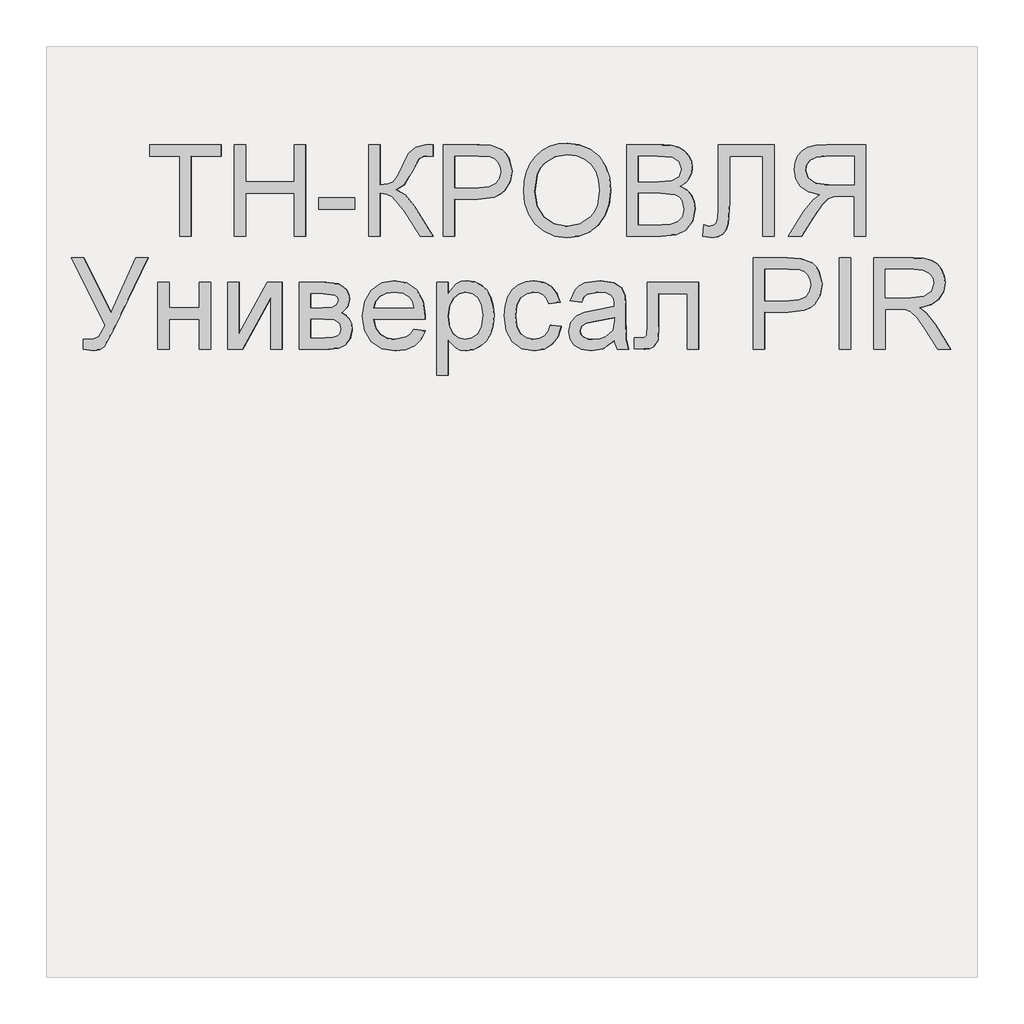
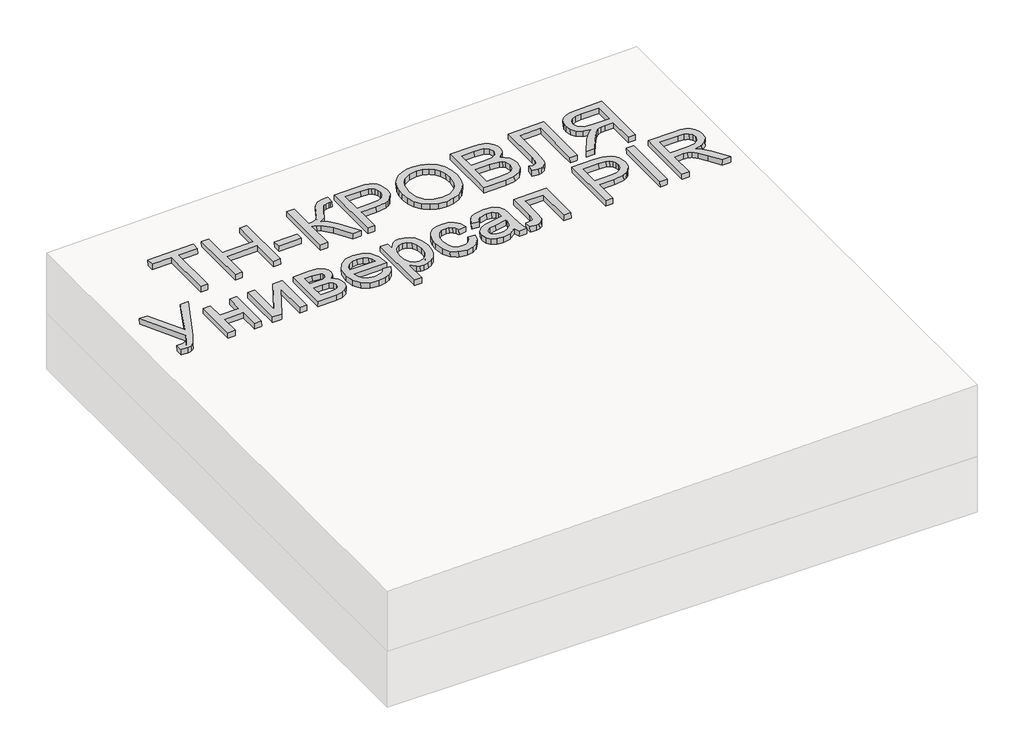
# One storey, part 3 of 3: 1 proxy.
"""IFC4 building model written with IfcOpenShell, lengths in millimetres."""

from ifc_helpers import new_model, si_unit, frame, origin, place, context, project, spatial, polyline, outline, extrude, element, save

model = new_model("IFC4")

# Units and contexts
model_context = context("Model", 3, world=origin())
ifc_project = project(units=[si_unit("LENGTHUNIT", "METRE", prefix="MILLI")], contexts=[model_context])

# Site, building, storey
site = spatial("IfcSite", under=ifc_project)
building = spatial("IfcBuilding", under=site)
storey = spatial("IfcBuildingStorey", under=building, Elevation=0.0)

# Proxy
placement = place(None, origin())
element("IfcBuildingElementProxy", 1, Name="Generic Models", at=placement, inside=storey, context=model_context, shape_type="SweptSolid", body=[
    extrude(outline(polyline([(24.6153847, 0.0), (24.6153847, -172.3076923), (89.2307693, -172.3076923), (89.2307693, -196.9230769), (-64.6153846, -196.9230769), (-64.6153846, -172.3076923), (0.0, -172.3076923), (0.0, 0.0), (24.6153847, 0.0)])), frame((52017.8976778, -4710.2316754, 222.2300417), z_axis=(-0.01999600119956399, 0.0, 0.9998000599800078), x_axis=(-0.9998000599800078, 0.0, -0.01999600119956399)), (0.0, 0.0, 1.0), 20.0),
    extrude(outline(polyline([(24.6153846, 0.0), (24.6153846, -196.9230769), (0.0, -196.9230769), (0.0, -116.9230769), (-104.6153846, -116.9230769), (-104.6153846, -196.9230769), (-129.2307692, -196.9230769), (-129.2307692, 0.0), (-104.6153846, 0.0), (-104.6153846, -92.3076923), (0.0, -92.3076923), (0.0, 0.0), (24.6153846, 0.0)])), frame((52134.7973771, -4710.2316754, 224.5680356), z_axis=(-0.019996001199563986, 0.0, 0.9998000599800078), x_axis=(-0.9998000599800078, 0.0, -0.019996001199563986)), (0.0, 0.0, 1.0), 20.0),
    extrude(outline(polyline([(76.9230769, 0.0), (76.9230769, -24.6153846), (0.0, -24.6153846), (0.0, 0.0), (76.9230769, 0.0)])), frame((52368.5967757, -4651.7701369, 229.2440236), z_axis=(-0.01999600119956399, 0.0, 0.9998000599800079), x_axis=(-0.9998000599800079, 0.0, -0.01999600119956399)), (0.0, 0.0, 1.0), 20.0),
    extrude(outline(polyline([(196.9230769, 0.0), (196.9230769, -24.6153846), (110.7692308, -24.6153846), (112.3978365, -41.280048), (117.2836538, -52.1394231), (128.7800481, -60.9194711), (150.2403846, -71.3461539), (177.7644231, -84.9278846), (191.3942308, -100.3125), (196.9230769, -122.3076923), (196.6346154, -138.4615384), (172.0192308, -138.4615384), (172.1634615, -133.0288462), (172.3076923, -127.5961539), (170.8293269, -116.3221153), (166.3942308, -108.3653846), (141.0576923, -93.75), (110.1923077, -76.3221153), (100.0, -59.326923), (88.8701923, -78.3293269), (65.6730769, -97.0673076), (0.0, -138.4615384), (0.0, -109.9038462), (55.4807692, -74.9038462), (84.4471154, -50.2644231), (90.3425481, -38.8882211), (92.3076923, -24.6153846), (0.0, -24.6153846), (0.0, 0.0), (196.9230769, 0.0)])), frame((52399.3598545, -4710.2316754, 229.8592852), z_axis=(-0.019996001199563986, 0.0, 0.9998000599800078), x_axis=(0.0, 1.0, 0.0)), (0.0, 0.0, 1.0), 20.0),
    extrude(outline(polyline([(24.6153846, 0.0), (24.6153846, -196.9230769), (-48.3653846, -196.9230769), (-77.7884615, -195.0480769), (-101.7067307, -185.8413461), (-110.4026442, -177.6802885), (-117.2115385, -166.8028846), (-123.0769231, -139.9519231), (-119.1165866, -116.7427885), (-107.2355769, -97.4038461), (-97.7208534, -89.7896635), (-85.0180288, -84.3509615), (-50.0480769, -80.0), (0.0, -80.0), (0.0, 0.0), (24.6153846, 0.0)]), holes=[polyline([(0.0, -104.6153846), (-51.4903846, -104.6153846), (-73.3173077, -106.875), (-87.7403846, -113.6538461), (-95.78125, -124.53125), (-98.4615385, -139.0865385), (-96.8810096, -150.1442308), (-92.1394231, -159.4711538), (-84.8257212, -166.4903846), (-75.5288461, -170.625), (-50.9134615, -172.3076923), (0.0, -172.3076923), (0.0, -104.6153846)])]), frame((52583.9383271, -4710.2316754, 233.5508546), z_axis=(-0.01999600119956399, 0.0, 0.9998000599800078), x_axis=(-0.9998000599800078, 0.0, -0.01999600119956399)), (0.0, 0.0, 1.0), 20.0),
    extrude(outline(polyline([(25.3428445, 0.0), (48.1160484, -4.1938573), (67.8912361, -11.3545773), (84.6684074, -21.48216), (98.4475626, -34.5766053), (108.9049086, -49.9093781), (115.7166524, -66.7519434), (118.8827941, -85.104301), (118.4033337, -104.9664512), (112.3116986, -130.2760814), (100.0658902, -152.2136343), (82.4868293, -169.6009171), (60.3954366, -181.2597367), (34.812491, -187.0380147), (6.7587717, -186.7836729), (-21.0136463, -180.6528553), (-44.9882084, -168.8870737), (-63.9421568, -152.1247694), (-76.6527338, -131.0043835), (-83.1347827, -107.1750808), (-83.4031474, -82.286026), (-77.165962, -56.5935492), (-64.6008839, -34.5586151), (-46.7404789, -17.2511252), (-24.6173127, -5.740981), (0.0, 0.0), (25.3428445, 0.0)]), holes=[polyline([(22.3721769, -24.4366544), (-8.7890431, -25.9094147), (-33.7562618, -37.9787802), (-50.9832576, -58.3865326), (-58.9238091, -84.8744541), (-57.0179297, -112.8610054), (-44.5775814, -136.6179285), (-34.5460353, -146.3414541), (-22.1589797, -153.8699216), (9.6816594, -162.341683), (31.570013, -162.6815636), (50.9840871, -158.5364567), (67.4340475, -150.0149317), (80.43006, -137.2255581), (89.4380632, -121.0520253), (93.9239955, -102.3780231), (92.2935561, -75.5530127), (81.0850249, -51.6494364), (71.4163804, -41.5325654), (58.4080243, -33.6248113), (22.3721769, -24.4366544)])]), frame((52734.4130429, -4639.5525889, 236.560349), z_axis=(-0.01999600119956399, 0.0, 0.9998000599800078), x_axis=(-0.11095588221419858, 0.9938228553011597, -0.00221911764427994)), (0.0, 0.0, 1.0), 20.0),
    extrude(outline(polyline([(74.5673077, 0.0), (74.5673077, -196.9230769), (-0.5769232, -196.9230769), (-21.2439904, -195.4747596), (-37.3798077, -191.1298077), (-49.7475961, -183.7800481), (-59.110577, -173.3173077), (-65.0060096, -161.0096154), (-66.9711539, -148.125), (-65.3185097, -136.2680288), (-60.360577, -125.1201923), (-52.0612981, -115.3665865), (-40.3846154, -107.6923077), (-54.3329327, -100.4086538), (-64.6394231, -89.3269231), (-71.0036058, -75.1802885), (-73.125, -58.7019231), (-67.3317308, -32.2355769), (-52.9807693, -13.3894231), (-31.5625, -3.3894231), (0.0, 0.0), (74.5673077, 0.0)]), holes=[polyline([(49.9519231, -116.9230769), (5.0, -116.9230769), (-21.25, -119.0384615), (-37.0432692, -128.1490385), (-42.3557692, -144.1826923), (-37.4038462, -160.2403846), (-23.2211538, -169.7355769), (8.4134615, -172.3076923), (49.9519231, -172.3076923), (49.9519231, -116.9230769)]), polyline([(49.9519231, -24.6153846), (-0.5288461, -24.6153846), (-18.798077, -25.5769231), (-34.2548077, -30.9375), (-44.4951924, -41.875), (-48.5096154, -58.4615385), (-43.798077, -77.5961538), (-37.626202, -84.5132211), (-28.5336539, -89.0144231), (1.875, -92.3076923), (49.9519231, -92.3076923), (49.9519231, -24.6153846)])]), frame((53027.647671, -4710.2316754, 242.4250415), z_axis=(-0.019996001199563986, 0.0, 0.9998000599800078), x_axis=(-0.9998000599800078, 0.0, -0.019996001199563986)), (0.0, 0.0, 1.0), 20.0),
    extrude(outline(polyline([(137.6442308, 0.0), (137.6442308, -120.0), (-59.2788461, -120.0), (-59.2788461, -95.3846154), (113.0288462, -95.3846154), (113.0288462, -24.6153847), (12.548077, -24.6153847), (-32.2836538, -21.7548078), (-44.951923, -17.3257212), (-54.4471153, -9.7596154), (-60.3786057, 0.6009615), (-62.3557692, 13.4134615), (-59.2788461, 33.8461538), (-34.6634615, 30.7692307), (-37.7403846, 18.9903845), (-36.0877403, 10.6670673), (-31.1298076, 4.7355768), (-20.0420673, 1.1838942), (0.0, 0.0), (137.6442308, 0.0)])), frame((53149.9789764, -4650.9528293, 244.8716676), z_axis=(-0.019996001199563986, 0.0, 0.9998000599800078), x_axis=(0.0, 1.0, 0.0)), (0.0, 0.0, 1.0), 20.0),
    extrude(outline(polyline([(24.6153847, -110.7692308), (0.0, -110.7692308), (0.0, -24.6153847), (-29.7115384, -24.6153847), (-43.9903845, -25.4807693), (-55.6971154, -30.1682693), (-68.7019231, -42.9326923), (-87.2115384, -69.9519231), (-112.8365384, -110.7692308), (-141.4423077, -110.7692308), (-108.6057691, -57.4038462), (-88.6538462, -32.0673077), (-74.6634615, -21.5384616), (-98.9122596, -15.0120193), (-115.889423, -3.2211539), (-125.8954326, 12.8605769), (-129.2307692, 32.2596153), (-127.2175481, 47.8545673), (-121.1778846, 62.0432692), (-111.7668269, 73.4855769), (-99.639423, 80.8413461), (-83.046875, 84.8257211), (-60.2403846, 86.1538461), (24.6153847, 86.1538461), (24.6153847, -110.7692308)]), holes=[polyline([(0.0, 0.0), (0.0, 61.5384615), (-61.2980768, 61.5384615), (-80.7752403, 59.4110577), (-94.2067307, 53.0288461), (-102.0132211, 43.3533653), (-104.6153846, 31.3461538), (-99.1586538, 14.639423), (-83.1971153, 3.4855769), (-55.0961538, 0.0), (0.0, 0.0)])]), frame((53442.2282247, -4599.4624446, 250.7166526), z_axis=(-0.019996001199563986, 0.0, 0.9998000599800078), x_axis=(0.9998000599800078, 0.0, 0.019996001199563986)), (0.0, 0.0, 1.0), 20.0),
    extrude(outline(polyline([(162.3958046, 0.0), (150.1049668, -24.3315009), (19.4444774, -24.3112473), (99.6626749, -124.1893539), (87.4802219, -148.3062914), (-15.7465271, -12.4058552), (-40.2207288, 22.7409556), (-41.8232157, 34.3633587), (-37.906375, 47.0489008), (-25.1668825, 65.4443299), (-5.9419928, 55.7330506), (-14.6778087, 38.4392325), (-16.2671727, 23.1371615), (0.0, 0.0), (162.3958046, 0.0)])), frame((51832.6943301, -4901.3374446, 218.5259747), z_axis=(-0.01999600119956399, 0.0, 0.9998000599800079), x_axis=(-0.45079067255567257, 0.8925841610988958, -0.009015813451097128)), (0.0, 0.0, 1.0), 20.0),
    extrude(outline(polyline([(144.6153846, 0.0), (144.6153846, -24.6153846), (89.2307692, -24.6153846), (89.2307692, -89.2307692), (144.6153846, -89.2307692), (144.6153846, -113.8461538), (0.0, -113.8461538), (0.0, -89.2307692), (64.6153846, -89.2307692), (64.6153846, -24.6153846), (0.0, -24.6153846), (0.0, 0.0), (144.6153846, 0.0)])), frame((51945.6044427, -4953.3085985, 220.7841769), z_axis=(-0.019996001199563986, 0.0, 0.9998000599800078), x_axis=(0.0, 1.0, 0.0)), (0.0, 0.0, 1.0), 20.0),
    extrude(outline(polyline([(144.6153846, 0.0), (144.6153846, -24.6153846), (34.3269231, -24.6153846), (144.6153846, -85.0961538), (144.6153846, -116.9230769), (0.0, -116.9230769), (0.0, -92.3076923), (109.6153846, -92.3076923), (0.0, -32.2115385), (0.0, 0.0), (144.6153846, 0.0)])), frame((52096.3435286, -4953.3085985, 223.7989587), z_axis=(-0.019996001199563986, 0.0, 0.9998000599800078), x_axis=(0.0, 1.0, 0.0)), (0.0, 0.0, 1.0), 20.0),
    extrude(outline(polyline([(144.6153846, 0.0), (144.6153846, -54.2307692), (141.3221154, -83.9663461), (129.2548077, -100.6971154), (119.609375, -105.9435095), (108.2211539, -107.6923077), (91.1298077, -103.4615384), (78.9423077, -90.7211538), (73.828125, -99.8317308), (65.6009616, -107.2596154), (54.9098558, -112.1995192), (42.4038462, -113.8461538), (23.6418269, -109.6754807), (10.4326923, -99.7596153), (2.6081731, -84.0625), (0.0, -62.5480769), (0.0, 0.0), (144.6153846, 0.0)]), holes=[polyline([(89.2307692, -24.6153846), (89.2307692, -48.9423076), (90.4807692, -69.014423), (95.4807692, -78.7740384), (104.5192308, -83.076923), (111.8629808, -81.1899038), (116.5865385, -75.5288461), (120.0, -49.7115384), (120.0, -24.6153846), (89.2307692, -24.6153846)]), polyline([(24.6153846, -24.6153846), (24.6153846, -54.8076923), (25.7271635, -71.2620192), (29.0625, -81.5865384), (35.1262019, -87.1274039), (44.4230769, -89.2307692), (56.2740385, -85.0240384), (63.1730769, -74.0625), (64.6153846, -52.4038461), (64.6153846, -24.6153846), (24.6153846, -24.6153846)])]), frame((52250.1589225, -4953.3085985, 226.8752665), z_axis=(-0.019996001199563986, 0.0, 0.9998000599800078), x_axis=(0.0, 1.0, 0.0)), (0.0, 0.0, 1.0), 20.0),
    extrude(outline(polyline([(11.9224287, 1e-07), (23.3787355, -21.4639267), (3.5155617, -24.89481), (-15.6006829, -21.4439824), (-33.3578567, -11.0602867), (-49.1438179, 6.3074343), (-61.8818963, 32.6831316), (-62.8170421, 59.2687892), (-51.916867, 84.377867), (-29.1489828, 106.323825), (-0.0288865, 121.1343702), (27.9674232, 123.4461986), (52.9457848, 114.2880645), (73.0120364, 94.6887224), (84.3959089, 69.9827894), (84.4955819, 43.8580616), (72.9280669, 18.474447), (49.3103756, -4.0081467), (43.8159314, -7.7297065), (-20.1983856, 82.4925626), (-32.7600612, 68.3554763), (-38.0799991, 52.4447665), (-36.6070543, 35.9746352), (-28.7900825, 20.1592847), (-10.6288614, 3.4526148), (0.0, 0.0), (11.9224287, 1e-07)]), holes=[polyline([(-0.1228525, 96.7365132), (49.7309746, 26.4721472), (58.4107366, 36.7128099), (62.2212823, 47.4187828), (60.9747524, 64.1306143), (52.8808629, 80.5231919), (41.4022309, 92.7236591), (27.8314967, 99.9175417), (13.5345169, 101.4675797), (-0.1228525, 96.7365132)])]), frame((52489.0774897, -4919.9552331, 231.6536379), z_axis=(-0.01999600119956399, 0.0, 0.9998000599800079), x_axis=(0.5785447954007323, 0.8155685342646634, 0.011570895907993732)), (0.0, 0.0, 1.0), 20.0),
    extrude(outline(polyline([(24.6153847, 0.0), (24.6153847, -200.0), (0.0, -200.0), (0.0, -175.8653846), (-17.0192307, -196.2740385), (-27.5, -201.376202), (-40.0, -203.0769231), (-56.6466345, -200.6971154), (-71.201923, -193.5576923), (-83.0528846, -182.0913462), (-91.5865384, -166.7307693), (-96.7427885, -148.59375), (-98.4615384, -128.798077), (-96.5204326, -107.7463943), (-90.6971154, -88.9182693), (-81.1778846, -73.2692308), (-68.1490384, -61.7548077), (-52.9747596, -54.6694712), (-37.0192307, -52.3076923), (-25.703125, -53.8882212), (-15.6009615, -58.6298077), (0.0, -74.6153846), (0.0, 0.0), (24.6153847, 0.0)]), holes=[polyline([(0.0, -126.5384616), (-2.6622596, -104.4711539), (-10.6490384, -89.0384616), (-22.4338942, -79.9519231), (-36.4903846, -76.923077), (-50.7752403, -80.0600962), (-62.8605768, -89.4711539), (-71.0997596, -105.46875), (-73.8461538, -128.3653846), (-71.1658653, -150.3125), (-63.1249999, -165.9615385), (-51.3581731, -175.3365385), (-37.5, -178.4615385), (-23.5877403, -175.1382212), (-11.3701923, -165.1682693), (-2.842548, -148.8641827), (0.0, -126.5384616)])]), frame((52570.0949417, -5008.6932139, 233.2739869), z_axis=(-0.01999600119956399, 0.0, 0.9998000599800078), x_axis=(-0.9998000599800078, 0.0, -0.01999600119956399)), (0.0, 0.0, 1.0), 20.0),
    extrude(outline(polyline([(14.2739448, 1e-07), (18.5774162, -24.4308155), (-4.3658123, -24.3147238), (-23.9730045, -16.8581343), (-39.1287659, -2.9877765), (-48.7177025, 16.3696196), (-51.7999354, 42.8176799), (-43.9550055, 66.6568587), (-25.3354265, 86.2178676), (3.9062883, 99.8314183), (25.3948449, 104.4802097), (45.1992054, 104.6740484), (62.6451939, 100.1110146), (77.0586344, 90.4891883), (88.0614871, 77.0566736), (95.2757118, 61.0615745), (98.5250521, 40.2990925), (94.8035116, 21.7539991), (84.4149332, 6.0732077), (67.6631596, -6.0963686), (57.4783633, 16.5234134), (66.4279038, 23.9512855), (71.7390475, 32.8620536), (73.5020103, 42.8810606), (71.8070078, 53.6336492), (64.2193556, 67.9417387), (51.7849492, 77.324077), (34.3582431, 80.5788394), (11.793692, 76.5042013), (-9.4649736, 67.1472584), (-22.146962, 54.8097826), (-27.1652793, 40.2921827), (-25.4329315, 24.394867), (-19.8783047, 12.7682799), (-11.392372, 4.4463754), (0.0, 0.0), (14.2739448, 1e-07)])), frame((52784.3129197, -4914.6427331, 237.5583465), z_axis=(-0.019996001199563986, 0.0, 0.9998000599800079), x_axis=(0.2942340972928647, 0.9557152643484613, 0.005884681945846667)), (0.0, 0.0, 1.0), 20.0),
    extrude(outline(polyline([(19.4601702, -1e-07), (11.1819963, 27.9207832), (14.9143961, 54.4732733), (24.1902839, 73.0649574), (37.3011934, 84.6897486), (52.8826325, 89.3590492), (69.5701086, 87.0842617), (86.5521477, 76.4571844), (96.0465823, 60.2429097), (98.2586563, 41.3376584), (95.0355657, 19.9618777), (89.5623928, -23.2153749), (94.7162973, -25.0853757), (105.6740454, -26.9515756), (114.1004512, -24.4012291), (122.7587066, -15.3020791), (129.4557417, -0.8361792), (132.8384667, 24.2872046), (128.8153045, 32.9891693), (120.6530554, 40.8663574), (131.3561489, 63.2455532), (150.7935143, 45.5413592), (155.5977438, 34.3745662), (157.376525, 20.7448455), (151.8045309, -11.6304924), (138.2204199, -38.5478606), (122.4698447, -51.060142), (104.2335367, -52.9377443), (83.4202766, -47.2669291), (54.3668506, -37.5824538), (13.4016719, -25.2450099), (-7.7840681, -23.3522042), (0.0, 0.0), (19.4601702, -1e-07)]), holes=[polyline([(66.1645787, -15.5681362), (71.5617354, 24.4924486), (74.4731593, 45.8454244), (71.3488897, 56.9970141), (63.4279923, 63.1847402), (55.9042801, 63.7605636), (48.4755881, 60.4405521), (41.8184615, 53.1258846), (36.6094453, 41.7177398), (33.8253486, 28.7094523), (34.3213549, 16.2294779), (42.7667647, -3.5119526), (59.5967713, -13.2268344), (66.1645787, -15.5681362)])]), frame((52933.0992711, -4953.3085985, 240.5340735), z_axis=(-0.01999600119956399, 0.0, 0.9998000599800078), x_axis=(-0.3161645394310779, 0.9486832980504807, -0.006323290788610104)), (0.0, 0.0, 1.0), 20.0),
    extrude(outline(polyline([(92.2115384, 0.0), (92.2115384, -110.7692308), (-52.2596154, -110.7692308), (-52.2596154, -86.1538462), (67.5961538, -86.1538462), (67.5961538, -24.6153847), (-1.3942308, -24.6153847), (-33.2211539, -22.9567308), (-46.6586539, -13.8461539), (-50.9675481, -4.7355769), (-52.4038462, 7.6923077), (-51.1538462, 27.6923077), (-27.7884616, 27.6923077), (-27.7884616, 16.6826922), (-26.2740385, 5.5528845), (-21.4663462, 1.1057692), (0.0, 0.0), (92.2115384, 0.0)])), frame((52997.7017365, -4900.9047523, 241.8261228), z_axis=(-0.019996001199563986, 0.0, 0.9998000599800078), x_axis=(0.0, 1.0, 0.0)), (0.0, 0.0, 1.0), 20.0),
    extrude(outline(polyline([(24.6153846, 0.0), (24.6153846, -196.9230769), (-48.3653847, -196.9230769), (-77.7884616, -195.0480769), (-101.7067308, -185.8413462), (-110.4026443, -177.6802885), (-117.2115385, -166.8028846), (-123.0769231, -139.9519231), (-119.1165866, -116.7427885), (-107.235577, -97.4038462), (-97.7208534, -89.7896635), (-85.0180289, -84.3509616), (-50.048077, -80.0), (0.0, -80.0), (0.0, 0.0), (24.6153846, 0.0)]), holes=[polyline([(0.0, -104.6153846), (-51.4903847, -104.6153846), (-73.3173078, -106.875), (-87.7403846, -113.6538462), (-95.78125, -124.53125), (-98.4615385, -139.0865385), (-96.8810097, -150.1442308), (-92.1394232, -159.4711539), (-84.8257212, -166.4903846), (-75.5288462, -170.625), (-50.9134615, -172.3076923), (0.0, -172.3076923), (0.0, -104.6153846)])]), frame((53249.9589824, -4953.3085985, 246.8712677), z_axis=(-0.01999600119956399, 0.0, 0.9998000599800078), x_axis=(-0.9998000599800078, 0.0, -0.01999600119956399)), (0.0, 0.0, 1.0), 20.0),
    extrude(outline(polyline([(24.6153847, 0.0), (24.6153847, -196.9230769), (0.0, -196.9230769), (0.0, 0.0), (24.6153847, 0.0)])), frame((53434.5374551, -4953.3085985, 250.5628372), z_axis=(-0.01999600119956399, 0.0, 0.9998000599800078), x_axis=(-0.9998000599800078, 0.0, -0.01999600119956399)), (0.0, 0.0, 1.0), 20.0),
    extrude(outline(polyline([(24.6153846, 0.0), (24.6153846, -196.9230769), (-60.2403846, -196.9230769), (-83.046875, -195.5949519), (-99.6394231, -191.6105769), (-111.766827, -184.2548077), (-121.1778846, -172.8125), (-127.2175481, -158.6237981), (-129.2307692, -143.0288462), (-125.8954327, -123.6298077), (-115.889423, -107.5480769), (-98.9122596, -95.7572116), (-74.6634615, -89.2307692), (-88.6538462, -78.7019231), (-108.6057692, -53.3653846), (-141.4423077, 0.0), (-112.8365384, 0.0), (-87.2115385, -40.8173077), (-68.7019231, -67.8365385), (-55.6971154, -80.6009616), (-43.9903846, -85.2884616), (-29.7115384, -86.1538462), (0.0, -86.1538462), (0.0, 0.0), (24.6153846, 0.0)]), holes=[polyline([(0.0, -110.7692308), (-55.0961538, -110.7692308), (-83.1971153, -114.2548077), (-99.1586539, -125.4086539), (-104.6153846, -142.1153846), (-102.0132211, -154.1225962), (-94.2067308, -163.7980769), (-80.7752404, -170.1802885), (-61.2980769, -172.3076923), (0.0, -172.3076923), (0.0, -110.7692308)])]), frame((53508.3688441, -4953.3085985, 252.039465), z_axis=(-0.01999600119956399, 0.0, 0.9998000599800078), x_axis=(-0.9998000599800078, 0.0, -0.01999600119956399)), (0.0, 0.0, 1.0), 20.0),
])

save(model, "model.ifc")
